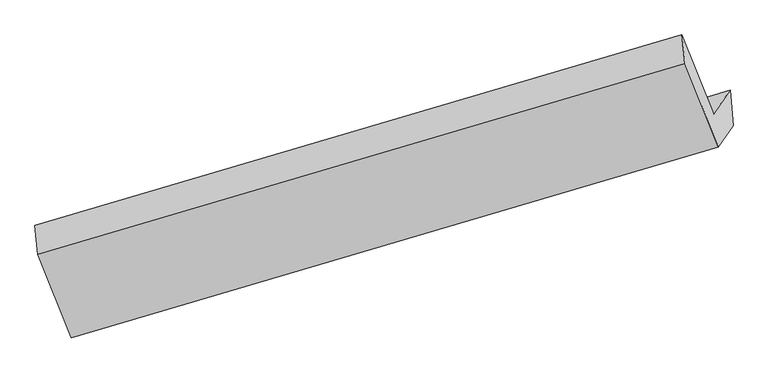
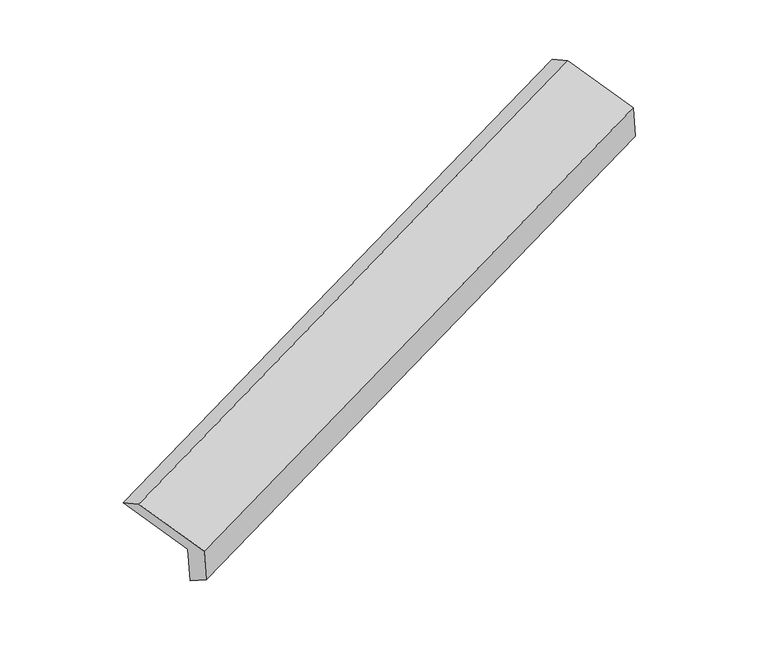
"""IFC4 building model written with IfcOpenShell, lengths in millimetres: proxy geometry."""

from ifc_helpers import new_model, si_unit, frame, origin, place, context, project, spatial, source, transform, mapped, element, save
from ifc_brep_helpers import plane_surface, spline_surface, advanced_brep


def generic_models_82ed2840(model_context):
    return source(origin(), model_context, "Body", "AdvancedBrep", [
        advanced_brep(
        [(-5075.2726237, -2529.7190046, 1205.1507131), (-4970.5283192, -2378.737711, 809.1370658), (-434.5717061, -1041.1146676, 2524.3671684), (-538.1163832, -1190.3667858, 2915.8453062), (-5309.0456637, -1944.0267544, 1366.6152979), (-771.8894232, -604.6745355, 3077.309891), (-5330.5881842, -1742.3533073, 1265.855058), (-793.4319437, -403.0010884, 2976.5496511), (-5098.1023902, -2324.8205065, 1105.2795605), (-571.615873, -958.7364873, 2823.3436195), (-4983.977212, -2160.317366, 673.7990301), (-455.0914401, -790.7749959, 2382.79207)],
        [
            (0, 1),
            (1, 2),
            (2, 3),
            (3, 0),
            (4, 0),
            (3, 5),
            (5, 4),
            (6, 4),
            (5, 7),
            (7, 6),
            (8, 6),
            (7, 9),
            (9, 8),
            (10, 8),
            (9, 11),
            (11, 10),
            (1, 10),
            (11, 2),
        ],
        [
            plane_surface(frame((-5022.9004715, -2454.2283578, 1007.1438894), z_axis=(0.3591174133214861, -0.8997285827577911, -0.2480386276730734), x_axis=(0.23992546287691618, 0.34583509749669583, -0.9071019003412728))),
            plane_surface(frame((-5192.1591437, -2236.8728795, 1285.8830055), z_axis=(-0.23992546287691566, -0.34583509749669805, 0.9071019003412724), x_axis=(0.3591174133214957, -0.8997285827577878, -0.24803862767307208))),
            plane_surface(frame((-5319.8169239, -1843.1900308, 1316.2351779), z_axis=(-0.42128516045501585, 0.36893308483707776, 0.8284969477873709), x_axis=(0.09512285670536187, -0.8905064941956045, 0.4449155267325083))),
            plane_surface(frame((-5214.3452872, -2033.5869069, 1185.5673093), z_axis=(0.23992546287692096, 0.3458350974966861, -0.9071019003412755), x_axis=(-0.3591174133214447, 0.8997285827578065, 0.24803862767307794))),
            plane_surface(frame((-5041.0398011, -2242.5689363, 889.5392953), z_axis=(-0.36443795953523284, 0.8981404357478747, 0.24602587531480138), x_axis=(-0.2399254628769161, -0.34583509749669566, 0.907101900341273))),
            spline_surface(1, 1, [[(-4970.5283192, -2378.737711, 809.1370658), (-434.5717061, -1041.1146676, 2524.3671684)], [(-4983.977212, -2160.317366, 673.7990301), (-455.0914401, -790.7749959, 2382.79207)]], [2, 2], [2, 2], [0.0, 1.0], [0.0, 1.0]),
            plane_surface(frame((-594.1194615, -831.4447601, 2783.3679511), z_axis=(0.9019259701952019, 0.2662453055136631, 0.34006320233065546), x_axis=(-0.3591174133214447, 0.8997285827578065, 0.24803862767307794))),
            plane_surface(frame((-5127.9190655, -2179.995775, 1070.9727876), z_axis=(-0.9019259701952069, -0.26624530551376924, -0.34006320233055815), x_axis=(-0.23992546287691577, -0.34583509749669517, 0.9071019003412731))),
        ],
        [
            (0, [[1, 2, 3, 4]]),
            (1, [[5, -4, 6, 7]]),
            (2, [[8, -7, 9, 10]]),
            (3, [[11, -10, 12, 13]]),
            (4, [[14, -13, 15, 16]]),
            (5, [[17, -16, 18, -2]]),
            (6, [[-12, -9, -6, -3, -18, -15]]),
            (7, [[-1, -5, -8, -11, -14, -17]]),
        ],
    ),
    ])


if __name__ == "__main__":
    model = new_model("IFC4")
    model_context = context("Model", 3, world=origin())
    ifc_project = project(units=[si_unit("LENGTHUNIT", "METRE", prefix="MILLI")], contexts=[model_context])
    site = spatial("IfcSite", under=ifc_project)
    building = spatial("IfcBuilding", under=site)
    placement = place(None, origin())
    generic_models_shape = generic_models_82ed2840(model_context)
    element("IfcBuildingElementProxy", 1, Name="Generic Models", at=placement, inside=building, context=model_context, shape_type="MappedRepresentation", body=[
        mapped(generic_models_shape, transform((0.0, 0.0, 0.0), x_axis=(1.0, 0.0, 0.0), y_axis=(0.0, 1.0, 0.0), z_axis=(0.0, 0.0, 1.0))),
    ])
    save(model, "model.ifc")
